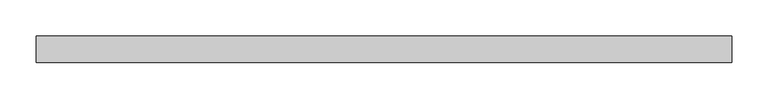
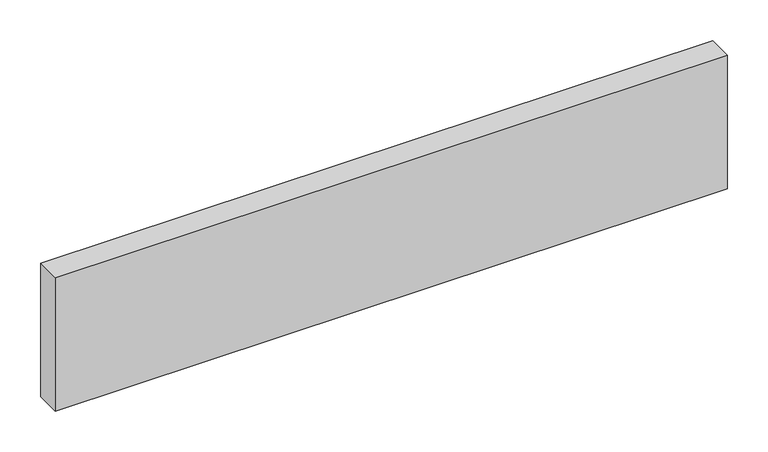
"""IFC4 building model written with IfcOpenShell, lengths in millimetres: beam geometry."""

from ifc_helpers import new_model, si_unit, frame, origin, place, context, project, spatial, polyline, outline, extrude, source, transform, mapped, element, save


def beam_cc443224(model_context):
    return source(origin(), model_context, "Body", "SweptSolid", [
        extrude(outline(polyline([(476.4, -18.0), (-476.4, -18.0), (-476.4, 18.0), (476.4, 18.0), (476.4, -18.0)])), frame((0.0, 0.0, -100.0), z_axis=(0.0, 0.0, 1.0), x_axis=(1.0, 0.0, 0.0)), (0.0, 0.0, 1.0), 200.0),
    ])


if __name__ == "__main__":
    model = new_model("IFC4")
    model_context = context("Model", 3, world=origin())
    ifc_project = project(units=[si_unit("LENGTHUNIT", "METRE", prefix="MILLI")], contexts=[model_context])
    site = spatial("IfcSite", under=ifc_project)
    building = spatial("IfcBuilding", under=site)
    placement = place(None, origin())
    beam_shape = beam_cc443224(model_context)
    element("IfcBeam", 1, at=placement, inside=building, context=model_context, shape_type="MappedRepresentation", body=[
        mapped(beam_shape, transform((0.0, 0.0, 0.0), x_axis=(1.0, 0.0, 0.0), y_axis=(0.0, 1.0, 0.0), z_axis=(0.0, 0.0, 1.0))),
    ])
    save(model, "model.ifc")
